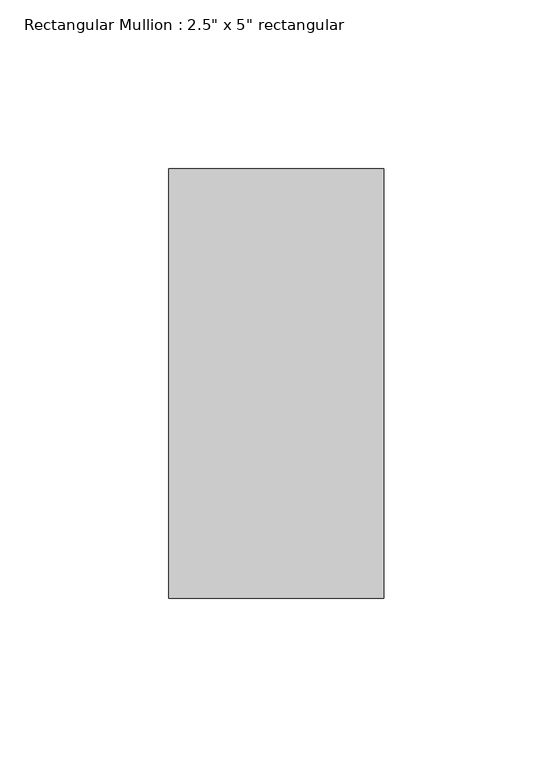
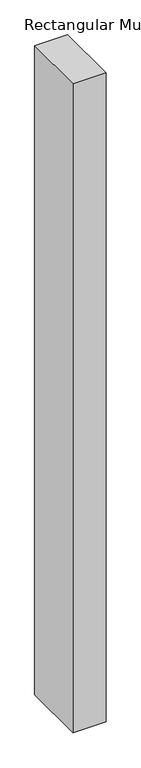
"""IFC4 building model written with IfcOpenShell, lengths in millimetres: member geometry."""

from ifc_helpers import new_model, si_unit, frame, origin, place, context, project, spatial, polyline, outline, extrude, source, transform, mapped, element, save


def member_f9fc426c(model_context):
    return source(origin(), model_context, "Body", "SweptSolid", [
        extrude(outline(polyline([(31.75, 63.5), (31.75, -63.5), (-31.75, -63.5), (-31.75, 63.5), (31.75, 63.5)])), frame((0.0, 0.0, -1317.625), z_axis=(0.0, 0.0, 1.0), x_axis=(1.0, 0.0, 0.0)), (0.0, 0.0, 1.0), 1317.625),
    ])


if __name__ == "__main__":
    model = new_model("IFC4")
    model_context = context("Model", 3, world=origin())
    ifc_project = project(units=[si_unit("LENGTHUNIT", "METRE", prefix="MILLI")], contexts=[model_context])
    site = spatial("IfcSite", under=ifc_project)
    building = spatial("IfcBuilding", under=site)
    placement = place(None, origin())
    member_shape = member_f9fc426c(model_context)
    element("IfcMember", 1, ObjectType="Rectangular Mullion : 2.5\" x 5\" rectangular", at=placement, inside=building, context=model_context, shape_type="MappedRepresentation", body=[
        mapped(member_shape, transform((0.0, 0.0, 0.0), x_axis=(1.0, 0.0, 0.0), y_axis=(0.0, 1.0, 0.0), z_axis=(0.0, 0.0, 1.0))),
    ])
    save(model, "model.ifc")
